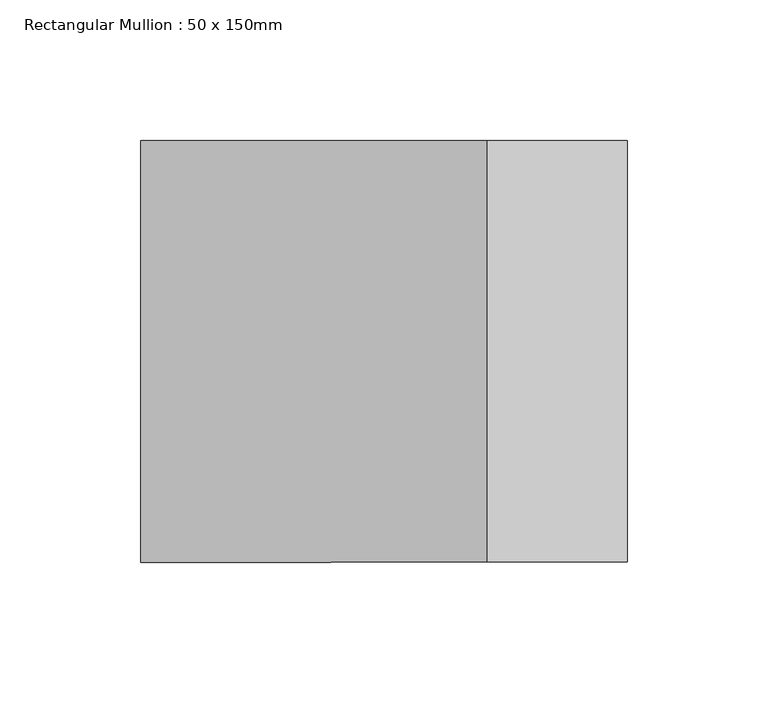
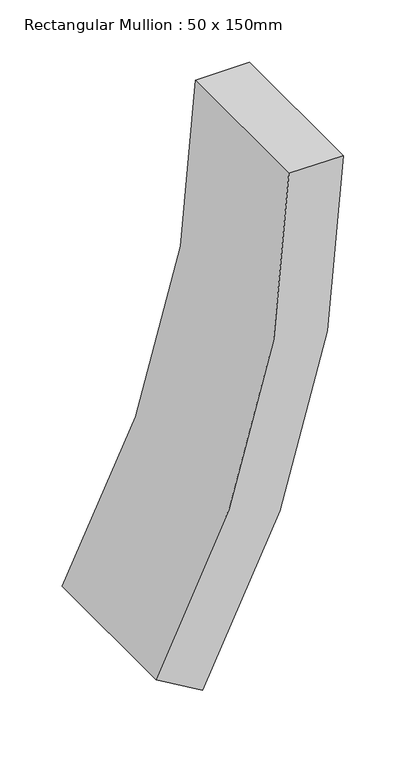
"""IFC4 building model written with IfcOpenShell, lengths in millimetres: member geometry, Rectangular Mullion : 50 x 150mm."""

import ifcopenshell
import ifcopenshell.guid

model = None  # the IFC model being written
_history = None  # IfcOwnerHistory: only IFC2X3 demands one
_inside = {}  # id of a spatial element -> (the spatial element, [elements in it])
_under = {}  # id of a project, library or spatial element -> (it, [spatial elements below it])
_declared = {}  # id of a project -> (the project, [libraries it declares])
_typed = {}  # id of a type object -> (the type object, [elements of that type])
_made_of = {}  # id of a material, layer set ... -> (it, [elements and type objects made of it])


def new_model(schema):
    """Start an empty IFC model of exactly this schema.

    Asked for "IFC4X3", IfcOpenShell would pick the latest addendum, in which some entities
    have other attributes; the version numbers below select the first issue.
    IFC2X3 requires an IfcOwnerHistory on every rooted entity: one is made here for all.
    """
    global model, _history
    if schema == "IFC4X3":
        model = ifcopenshell.file(schema_version=(4, 3, 0, 0))
    else:
        model = ifcopenshell.file(schema=schema)
    _inside.clear()
    _under.clear()
    _declared.clear()
    _typed.clear()
    _made_of.clear()
    _history = None
    if model.schema == "IFC2X3":
        org = make("IfcOrganization", Name="unknown")
        user = make(
            "IfcPersonAndOrganization",
            ThePerson=make("IfcPerson", FamilyName="unknown"),
            TheOrganization=org,
        )
        app = make(
            "IfcApplication",
            ApplicationDeveloper=org,
            Version="unknown",
            ApplicationFullName="unknown",
            ApplicationIdentifier="unknown",
        )
        _history = make(
            "IfcOwnerHistory",
            OwningUser=user,
            OwningApplication=app,
            ChangeAction="ADDED",
            CreationDate=0,
        )
    return model


def make(cls, **values):
    """One entity of the class cls with the attributes given. An attribute that is None is left unset."""
    return model.create_entity(
        cls, **{name: value for name, value in values.items() if value is not None}
    )


def rooted(cls, **values):
    """An entity with a GlobalId (a new one), such as an element, a storey or a relation."""
    return make(cls, GlobalId=ifcopenshell.guid.new(), OwnerHistory=_history, **values)


def si_unit(unit_type, name, prefix=None):
    """IfcSIUnit, for example si_unit("LENGTHUNIT", "METRE", prefix="MILLI")."""
    return make("IfcSIUnit", UnitType=unit_type, Prefix=prefix, Name=name)


def assignment(units):
    """IfcUnitAssignment: the units of a project."""
    return None if units is None else make("IfcUnitAssignment", Units=units)


def point(xyz):
    """IfcCartesianPoint."""
    return None if xyz is None else make("IfcCartesianPoint", Coordinates=xyz)


def direction(xyz):
    """IfcDirection."""
    return None if xyz is None else make("IfcDirection", DirectionRatios=xyz)


def frame(location, z_axis=None, x_axis=None):
    """IfcAxis2Placement3D, a coordinate frame: its origin and axes. An axis left out is left unset."""
    return make(
        "IfcAxis2Placement3D",
        Location=point(location),
        Axis=direction(z_axis),
        RefDirection=direction(x_axis),
    )


def frame_2d(location, x_axis=None):
    """IfcAxis2Placement2D, a coordinate frame in the plane: its origin and x axis."""
    return make(
        "IfcAxis2Placement2D", Location=point(location), RefDirection=direction(x_axis)
    )


def origin():
    """The frame at (0, 0, 0) with its axes left unset."""
    return frame((0.0, 0.0, 0.0))


def place(relative_to, where):
    """IfcLocalPlacement: puts the frame where relative to a parent placement (None: the world)."""
    return make(
        "IfcLocalPlacement", PlacementRelTo=relative_to, RelativePlacement=where
    )


def context(
    kind, dimensions, precision=None, world=None, true_north=None, identifier=None
):
    """IfcGeometricRepresentationContext, for example the 3D "Model" context."""
    return make(
        "IfcGeometricRepresentationContext",
        ContextIdentifier=identifier,
        ContextType=kind,
        CoordinateSpaceDimension=dimensions,
        Precision=precision,
        WorldCoordinateSystem=world,
        TrueNorth=true_north,
    )


def project(units=None, contexts=None):
    """IfcProject with its units and contexts."""
    return rooted(
        "IfcProject",
        Name="project",
        RepresentationContexts=contexts,
        UnitsInContext=assignment(units),
    )


def spatial(cls, under=None, at=None, **own):
    """A site, building, storey or space (cls), placed at a placement, below another one or the project."""
    s = rooted(cls, ObjectPlacement=at, **own)
    if under is not None:
        _under.setdefault(under.id(), (under, []))[1].append(s)
    return s


def polyline(points):
    """IfcPolyline through the points."""
    return make("IfcPolyline", Points=[point(p) for p in points])


def circle_curve(where, radius):
    """IfcCircle in the frame where."""
    return make("IfcCircle", Position=where, Radius=radius)


def trimmed(basis, trim1, trim2, sense, master):
    """IfcTrimmedCurve: the piece of a basis curve between two trims."""
    return make(
        "IfcTrimmedCurve",
        BasisCurve=basis,
        Trim1=trim1,
        Trim2=trim2,
        SenseAgreement=sense,
        MasterRepresentation=master,
    )


def segment(curve, same_sense, transition):
    """IfcCompositeCurveSegment."""
    return make(
        "IfcCompositeCurveSegment",
        Transition=transition,
        SameSense=same_sense,
        ParentCurve=curve,
    )


def composite_curve(segments, self_intersect=None):
    """IfcCompositeCurve: segments joined end to end."""
    return make("IfcCompositeCurve", Segments=segments, SelfIntersect=self_intersect)


def outline(outer, holes=None, kind="AREA"):
    """IfcArbitraryClosedProfileDef: a profile drawn as a closed curve; with holes, ...WithVoids."""
    if holes is None:
        return make("IfcArbitraryClosedProfileDef", ProfileType=kind, OuterCurve=outer)
    return make(
        "IfcArbitraryProfileDefWithVoids",
        ProfileType=kind,
        OuterCurve=outer,
        InnerCurves=holes,
    )


def extrude(swept, where, along, depth):
    """IfcExtrudedAreaSolid: the profile swept, set in the frame where, extruded along a direction by depth."""
    return make(
        "IfcExtrudedAreaSolid",
        SweptArea=swept,
        Position=where,
        ExtrudedDirection=direction(along),
        Depth=depth,
    )


def shape(context_of_items, identifier, shape_type, items):
    """IfcShapeRepresentation: the items that make up one representation, for example the "Body"."""
    return make(
        "IfcShapeRepresentation",
        ContextOfItems=context_of_items,
        RepresentationIdentifier=identifier,
        RepresentationType=shape_type,
        Items=items,
    )


def source(mapping_origin, context_of_items, identifier, shape_type, items):
    """IfcRepresentationMap: a shape defined once, which mapped items show again and again."""
    return make(
        "IfcRepresentationMap",
        MappingOrigin=mapping_origin,
        MappedRepresentation=shape(context_of_items, identifier, shape_type, items),
    )


def transform(
    local_origin,
    x_axis=None,
    y_axis=None,
    z_axis=None,
    scale=None,
    scale2=None,
    scale3=None,
    uniform=True,
):
    """IfcCartesianTransformationOperator3D, or its non-uniform kind. x_axis, y_axis, z_axis: its Axis1, 2, 3."""
    if uniform:
        return make(
            "IfcCartesianTransformationOperator3D",
            Axis1=direction(x_axis),
            Axis2=direction(y_axis),
            LocalOrigin=point(local_origin),
            Scale=scale,
            Axis3=direction(z_axis),
        )
    return make(
        "IfcCartesianTransformationOperator3DnonUniform",
        Axis1=direction(x_axis),
        Axis2=direction(y_axis),
        LocalOrigin=point(local_origin),
        Scale=scale,
        Axis3=direction(z_axis),
        Scale2=scale2,
        Scale3=scale3,
    )


def mapped(mapping_source, mapping_target):
    """IfcMappedItem: shows the shape of a source again, moved by a transform."""
    return make(
        "IfcMappedItem", MappingSource=mapping_source, MappingTarget=mapping_target
    )


def made_of(thing, what):
    """Note that an element or type object is made of a material, layer set ...; save() writes the relation."""
    if what is not None:
        _made_of.setdefault(what.id(), (what, []))[1].append(thing)
    return thing


def element(
    cls,
    number,
    at=None,
    inside=None,
    cuts=None,
    type_object=None,
    material=None,
    context=None,
    identifier="Body",
    shape_type=None,
    held_by="IfcProductDefinitionShape",
    body=None,
    shapes=None,
    **own,
):
    """One element of the class cls, such as IfcWall. Its Tag is "e" and its number.

    at: its placement. inside: the storey or other place that contains it. cuts: it is an
    opening in that element (IfcRelVoidsElement). A single representation is given by context,
    identifier, shape_type and body (its items); several are given by shapes. held_by: the class
    of the entity that holds the representations. save() writes the other relations.
    """
    e = rooted(cls, Tag="e%d" % number, ObjectPlacement=at, **own)
    if body is not None:
        shapes = [shape(context, identifier, shape_type, body)]
    if shapes is not None:
        e.Representation = make(held_by, Representations=shapes)
    if inside is not None:
        _inside.setdefault(inside.id(), (inside, []))[1].append(e)
    if cuts is not None:
        rooted(
            "IfcRelVoidsElement", RelatingBuildingElement=cuts, RelatedOpeningElement=e
        )
    if type_object is not None:
        _typed.setdefault(type_object.id(), (type_object, []))[1].append(e)
    return made_of(e, material)


def aggregate(whole, parts):
    """IfcRelAggregates: a whole, such as a stair, and the parts it consists of."""
    return rooted("IfcRelAggregates", RelatingObject=whole, RelatedObjects=parts)


def save(model, path):
    """Write the relations noted so far, then the file.

    IfcRelAggregates (storeys below a building ...), IfcRelContainedInSpatialStructure (elements
    in a storey), IfcRelDefinesByType, IfcRelAssociatesMaterial and IfcRelDeclares: one each for
    every whole, place, type object, material and project.
    """
    for whole, parts in _under.values():
        aggregate(whole, parts)
    for where, things in _inside.values():
        rooted(
            "IfcRelContainedInSpatialStructure",
            RelatedElements=things,
            RelatingStructure=where,
        )
    for kind, things in _typed.values():
        rooted("IfcRelDefinesByType", RelatedObjects=things, RelatingType=kind)
    for what, things in _made_of.values():
        rooted("IfcRelAssociatesMaterial", RelatedObjects=things, RelatingMaterial=what)
    for by, libraries in _declared.values():
        rooted("IfcRelDeclares", RelatingContext=by, RelatedDefinitions=libraries)
    model.write(path)


def rectangular_mullion_50_x_150mm_9bb350e9(model_context):
    return source(origin(), model_context, "Body", "SweptSolid", [
        extrude(outline(composite_curve([segment(trimmed(circle_curve(frame_2d((0.0, -938.6175609)), 938.6175609), [point((-476.6907712, -130.0578325))], [point((0.0, 0.0))], False, "CARTESIAN"), True, "CONTINUOUS"), segment(polyline([(0.0, 0.0), (0.0, -50.0)]), True, "CONTINUOUS"), segment(trimmed(circle_curve(frame_2d((0.0, -938.6175609)), 888.6175609), [point((0.0, -50.0))], [point((-451.2975337, -173.1296736))], True, "CARTESIAN"), True, "CONTINUOUS"), segment(polyline([(-451.2975337, -173.1296736), (-476.6907712, -130.0578325)]), True, "CONTINUOUS")], self_intersect=False)), frame((0.0, -75.0, 0.0), z_axis=(0.0, 1.0, 0.0), x_axis=(0.0, 0.0, 1.0)), (0.0, 0.0, 1.0), 150.0),
    ])


if __name__ == "__main__":
    model = new_model("IFC4")
    model_context = context("Model", 3, world=origin())
    ifc_project = project(units=[si_unit("LENGTHUNIT", "METRE", prefix="MILLI")], contexts=[model_context])
    site = spatial("IfcSite", under=ifc_project)
    building = spatial("IfcBuilding", under=site)
    placement = place(None, origin())
    rectangular_mullion_50_x_150mm_shape = rectangular_mullion_50_x_150mm_9bb350e9(model_context)
    element("IfcMember", 1, ObjectType="Rectangular Mullion : 50 x 150mm", at=placement, inside=building, context=model_context, shape_type="MappedRepresentation", body=[
        mapped(rectangular_mullion_50_x_150mm_shape, transform((0.0, 0.0, 0.0), x_axis=(1.0, 0.0, 0.0), y_axis=(0.0, 1.0, 0.0), z_axis=(0.0, 0.0, 1.0))),
    ])
    save(model, "model.ifc")
